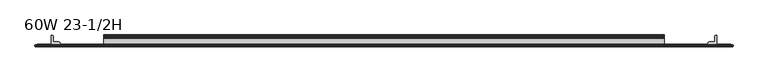
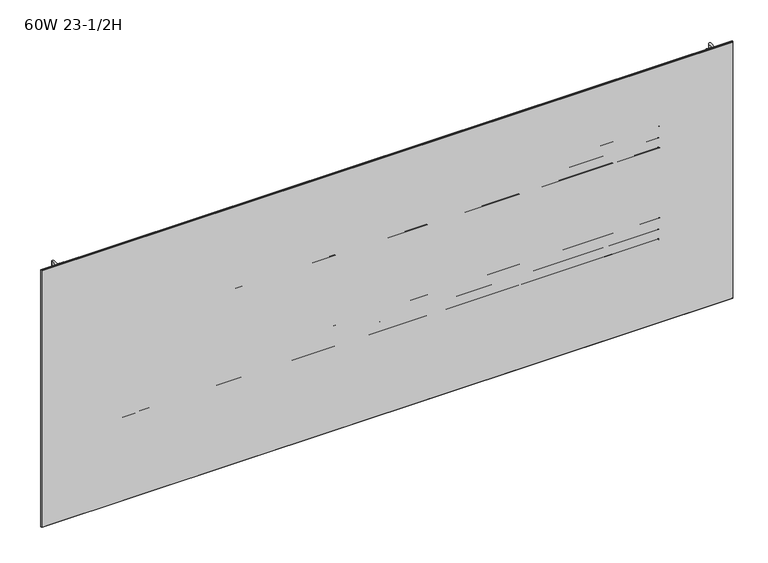
"""IFC4 building model written with IfcOpenShell, lengths in millimetres: furniture geometry, 60W 23-1/2H."""

from ifc_helpers import new_model, si_unit, point, frame, frame_2d, origin, place, context, project, spatial, polyline, circle_curve, trimmed, segment, composite_curve, outline, extrude, faceted_brep, source, transform, mapped, element, save


def furniture_60w_23_1_2h_e905489b(model_context):
    return source(origin(), model_context, "Body", "SolidModel", [
        extrude(outline(composite_curve([segment(polyline([(-5.2324, 902.4059175), (-5.2324, 923.5244434)]), True, "CONTINUOUS"), segment(trimmed(circle_curve(frame_2d((-4.677496, 923.5244434)), 0.554904), [point((-5.2324, 923.5244434))], [point((-4.5338691, 924.0604377))], False, "CARTESIAN"), True, "CONTINUOUS"), segment(polyline([(-4.5338691, 924.0604377), (-3.3274001, 923.7371481), (-2.3976956, 922.807481), (-2.0574001, 921.5374277), (-2.0574001, 908.7676431)]), True, "CONTINUOUS"), segment(trimmed(circle_curve(frame_2d((-1.4921701, 908.7676431)), 0.5652299), [point((-2.0574001, 908.7676431))], [point((-1.4921701, 908.2024132))], True, "CARTESIAN"), True, "CONTINUOUS"), segment(polyline([(-1.4921701, 908.2024132), (0.5143951, 908.2024132)]), True, "CONTINUOUS"), segment(trimmed(circle_curve(frame_2d((0.5143951, 907.5992083)), 0.6032049), [point((0.5143951, 908.2024132))], [point((1.1176, 907.5992083))], False, "CARTESIAN"), True, "CONTINUOUS"), segment(polyline([(1.1176, 907.5992083), (1.1176, 876.4846046)]), True, "CONTINUOUS"), segment(trimmed(circle_curve(frame_2d((0.6637885, 879.1738096)), 2.7272272), [point((1.1176, 876.4846046))], [point((-2.0574001, 878.9924229))], False, "CARTESIAN"), True, "CONTINUOUS"), segment(polyline([(-2.0574001, 878.9924229), (-2.0574001, 901.3081717)]), True, "CONTINUOUS"), segment(trimmed(circle_curve(frame_2d((-2.6016657, 901.3081717)), 0.5442657), [point((-2.0574001, 901.3081717))], [point((-2.6016657, 901.8524374))], True, "CARTESIAN"), True, "CONTINUOUS"), segment(polyline([(-2.6016657, 901.8524374), (-4.6789199, 901.8524374)]), True, "CONTINUOUS"), segment(trimmed(circle_curve(frame_2d((-4.6789199, 902.4059175)), 0.5534801), [point((-4.6789199, 901.8524374))], [point((-5.2324, 902.4059175))], False, "CARTESIAN"), True, "CONTINUOUS")], self_intersect=False)), frame((152.4, 0.0, 0.0), z_axis=(1.0, 0.0, 0.0), x_axis=(0.0, 1.0, 0.0)), (0.0, 0.0, 1.0), 1219.2),
        extrude(outline(composite_curve([segment(polyline([(-7.1373999, 955.8274132), (-4.5974, 955.1468588), (-2.7379909, 953.2874519), (-2.0574001, 950.747418), (-2.0574001, 929.1337352)]), True, "CONTINUOUS"), segment(trimmed(circle_curve(frame_2d((-1.4969277, 929.1337352)), 0.5604724), [point((-2.0574001, 929.1337352))], [point((-1.4969277, 928.5732628))], True, "CARTESIAN"), True, "CONTINUOUS"), segment(polyline([(-1.4969277, 928.5732628), (0.4039455, 928.5732628)]), True, "CONTINUOUS"), segment(trimmed(circle_curve(frame_2d((0.4039455, 927.8596084)), 0.7136544), [point((0.4039455, 928.5732628))], [point((1.1176, 927.8596084))], False, "CARTESIAN"), True, "CONTINUOUS"), segment(polyline([(1.1176, 927.8596084), (1.1176, 909.5034694)]), True, "CONTINUOUS"), segment(trimmed(circle_curve(frame_2d((0.4746932, 909.5034694)), 0.6429068), [point((1.1176, 909.5034694))], [point((-0.1003385, 909.2159495))], False, "CARTESIAN"), True, "CONTINUOUS"), segment(polyline([(-0.1003385, 909.2159495), (-1.8183367, 912.6518984)]), True, "CONTINUOUS"), segment(trimmed(circle_curve(frame_2d((0.2069874, 913.6645745)), 2.2643874), [point((-1.8183367, 912.6518984))], [point((-2.0574001, 913.6645745))], False, "CARTESIAN"), True, "CONTINUOUS"), segment(polyline([(-2.0574001, 913.6645745), (-2.0574001, 923.3402528)]), True, "CONTINUOUS"), segment(trimmed(circle_curve(frame_2d((-2.7946089, 923.3402528)), 0.7372088), [point((-2.0574001, 923.3402528))], [point((-2.7946089, 924.0774616))], True, "CARTESIAN"), True, "CONTINUOUS"), segment(polyline([(-2.7946089, 924.0774616), (-19.4564001, 924.0774616), (-19.4564001, 955.8274132), (-7.1373999, 955.8274132)]), True, "CONTINUOUS")], self_intersect=False), holes=[composite_curve([segment(trimmed(circle_curve(frame_2d((-13.0222745, 950.5363262)), 2.7511257), [point((-13.0222745, 953.2874519))], [point((-15.7734002, 950.5363262))], True, "CARTESIAN"), True, "CONTINUOUS"), segment(polyline([(-15.7734002, 950.5363262), (-15.7734002, 929.2014781)]), True, "CONTINUOUS"), segment(trimmed(circle_curve(frame_2d((-13.189345, 929.2014781)), 2.5840552), [point((-15.7734002, 929.2014781))], [point((-13.189345, 926.6174229))], True, "CARTESIAN"), True, "CONTINUOUS"), segment(polyline([(-13.189345, 926.6174229), (-7.4218653, 926.6174229)]), True, "CONTINUOUS"), segment(trimmed(circle_curve(frame_2d((-7.4218653, 929.4418881)), 2.8244652), [point((-7.4218653, 926.6174229))], [point((-4.5974, 929.4418881))], True, "CARTESIAN"), True, "CONTINUOUS"), segment(polyline([(-4.5974, 929.4418881), (-4.5974, 950.6103081)]), True, "CONTINUOUS"), segment(trimmed(circle_curve(frame_2d((-7.2745438, 950.6103081)), 2.6771438), [point((-4.5974, 950.6103081))], [point((-7.2745438, 953.2874519))], True, "CARTESIAN"), True, "CONTINUOUS"), segment(polyline([(-7.2745438, 953.2874519), (-13.0222745, 953.2874519)]), True, "CONTINUOUS")], self_intersect=False)]), frame((152.4, 0.0, 0.0), z_axis=(1.0, 0.0, 0.0), x_axis=(0.0, 1.0, 0.0)), (0.0, 0.0, 1.0), 1219.2),
        extrude(outline(composite_curve([segment(polyline([(-5.2324, 1115.1182044), (-5.2324, 1136.2367302)]), True, "CONTINUOUS"), segment(trimmed(circle_curve(frame_2d((-4.677496, 1136.2367302)), 0.554904), [point((-5.2324, 1136.2367302))], [point((-4.5338691, 1136.7727245))], False, "CARTESIAN"), True, "CONTINUOUS"), segment(polyline([(-4.5338691, 1136.7727245), (-3.3274001, 1136.4494349), (-2.3976956, 1135.5197678), (-2.0574001, 1134.2497145), (-2.0574001, 1121.4799299)]), True, "CONTINUOUS"), segment(trimmed(circle_curve(frame_2d((-1.4921701, 1121.4799299)), 0.5652299), [point((-2.0574001, 1121.4799299))], [point((-1.4921701, 1120.9147))], True, "CARTESIAN"), True, "CONTINUOUS"), segment(polyline([(-1.4921701, 1120.9147), (0.5143951, 1120.9147)]), True, "CONTINUOUS"), segment(trimmed(circle_curve(frame_2d((0.5143951, 1120.3114951)), 0.6032049), [point((0.5143951, 1120.9147))], [point((1.1176, 1120.3114951))], False, "CARTESIAN"), True, "CONTINUOUS"), segment(polyline([(1.1176, 1120.3114951), (1.1176, 1089.1968914)]), True, "CONTINUOUS"), segment(trimmed(circle_curve(frame_2d((0.6637885, 1091.8860964)), 2.7272272), [point((1.1176, 1089.1968914))], [point((-2.0574001, 1091.7047097))], False, "CARTESIAN"), True, "CONTINUOUS"), segment(polyline([(-2.0574001, 1091.7047097), (-2.0574001, 1114.0204586)]), True, "CONTINUOUS"), segment(trimmed(circle_curve(frame_2d((-2.6016657, 1114.0204586)), 0.5442657), [point((-2.0574001, 1114.0204586))], [point((-2.6016657, 1114.5647242))], True, "CARTESIAN"), True, "CONTINUOUS"), segment(polyline([(-2.6016657, 1114.5647242), (-4.6789199, 1114.5647242)]), True, "CONTINUOUS"), segment(trimmed(circle_curve(frame_2d((-4.6789199, 1115.1182044)), 0.5534801), [point((-4.6789199, 1114.5647242))], [point((-5.2324, 1115.1182044))], False, "CARTESIAN"), True, "CONTINUOUS")], self_intersect=False)), frame((152.4, 0.0, 0.0), z_axis=(1.0, 0.0, 0.0), x_axis=(0.0, 1.0, 0.0)), (0.0, 0.0, 1.0), 1219.2),
        extrude(outline(composite_curve([segment(polyline([(-7.1373999, 1168.5397), (-4.5974, 1167.8591456), (-2.7379909, 1165.9997388), (-2.0574001, 1163.4597048), (-2.0574001, 1141.846022)]), True, "CONTINUOUS"), segment(trimmed(circle_curve(frame_2d((-1.4969277, 1141.846022)), 0.5604724), [point((-2.0574001, 1141.846022))], [point((-1.4969277, 1141.2855496))], True, "CARTESIAN"), True, "CONTINUOUS"), segment(polyline([(-1.4969277, 1141.2855496), (0.4039455, 1141.2855496)]), True, "CONTINUOUS"), segment(trimmed(circle_curve(frame_2d((0.4039455, 1140.5718952)), 0.7136544), [point((0.4039455, 1141.2855496))], [point((1.1176, 1140.5718952))], False, "CARTESIAN"), True, "CONTINUOUS"), segment(polyline([(1.1176, 1140.5718952), (1.1176, 1122.2157562)]), True, "CONTINUOUS"), segment(trimmed(circle_curve(frame_2d((0.4746932, 1122.2157562)), 0.6429068), [point((1.1176, 1122.2157562))], [point((-0.1003385, 1121.9282364))], False, "CARTESIAN"), True, "CONTINUOUS"), segment(polyline([(-0.1003385, 1121.9282364), (-1.8183367, 1125.3641852)]), True, "CONTINUOUS"), segment(trimmed(circle_curve(frame_2d((0.2069874, 1126.3768613)), 2.2643874), [point((-1.8183367, 1125.3641852))], [point((-2.0574001, 1126.3768613))], False, "CARTESIAN"), True, "CONTINUOUS"), segment(polyline([(-2.0574001, 1126.3768613), (-2.0574001, 1136.0525396)]), True, "CONTINUOUS"), segment(trimmed(circle_curve(frame_2d((-2.7946089, 1136.0525396)), 0.7372088), [point((-2.0574001, 1136.0525396))], [point((-2.7946089, 1136.7897484))], True, "CARTESIAN"), True, "CONTINUOUS"), segment(polyline([(-2.7946089, 1136.7897484), (-19.4564001, 1136.7897484), (-19.4564001, 1168.5397), (-7.1373999, 1168.5397)]), True, "CONTINUOUS")], self_intersect=False), holes=[composite_curve([segment(trimmed(circle_curve(frame_2d((-13.0222745, 1163.248613)), 2.7511257), [point((-13.0222745, 1165.9997388))], [point((-15.7734002, 1163.248613))], True, "CARTESIAN"), True, "CONTINUOUS"), segment(polyline([(-15.7734002, 1163.248613), (-15.7734002, 1141.9137649)]), True, "CONTINUOUS"), segment(trimmed(circle_curve(frame_2d((-13.189345, 1141.9137649)), 2.5840552), [point((-15.7734002, 1141.9137649))], [point((-13.189345, 1139.3297097))], True, "CARTESIAN"), True, "CONTINUOUS"), segment(polyline([(-13.189345, 1139.3297097), (-7.4218653, 1139.3297097)]), True, "CONTINUOUS"), segment(trimmed(circle_curve(frame_2d((-7.4218653, 1142.1541749)), 2.8244652), [point((-7.4218653, 1139.3297097))], [point((-4.5974, 1142.1541749))], True, "CARTESIAN"), True, "CONTINUOUS"), segment(polyline([(-4.5974, 1142.1541749), (-4.5974, 1163.322595)]), True, "CONTINUOUS"), segment(trimmed(circle_curve(frame_2d((-7.2745438, 1163.322595)), 2.6771438), [point((-4.5974, 1163.322595))], [point((-7.2745438, 1165.9997388))], True, "CARTESIAN"), True, "CONTINUOUS"), segment(polyline([(-7.2745438, 1165.9997388), (-13.0222745, 1165.9997388)]), True, "CONTINUOUS")], self_intersect=False)]), frame((152.4, 0.0, 0.0), z_axis=(1.0, 0.0, 0.0), x_axis=(0.0, 1.0, 0.0)), (0.0, 0.0, 1.0), 1219.2),
        extrude(outline(composite_curve([segment(trimmed(circle_curve(frame_2d((1485.3524764, -18.9088765)), 0.5475236), [point((1485.9, -18.9088765))], [point((1485.3524764, -19.4564001))], False, "CARTESIAN"), True, "CONTINUOUS"), segment(polyline([(1485.3524764, -19.4564001), (1467.4113866, -19.4564001)]), True, "CONTINUOUS"), segment(trimmed(circle_curve(frame_2d((1467.4113866, -18.8950135)), 0.5613866), [point((1467.4113866, -19.4564001))], [point((1466.85, -18.8950135))], False, "CARTESIAN"), True, "CONTINUOUS"), segment(polyline([(1466.85, -18.8950135), (1466.85, -16.8669745)]), True, "CONTINUOUS"), segment(trimmed(circle_curve(frame_2d((1469.4294745, -16.8669745)), 2.5794745), [point((1466.85, -16.8669745))], [point((1469.4294745, -14.2875))], False, "CARTESIAN"), True, "CONTINUOUS"), segment(polyline([(1469.4294745, -14.2875), (1480.4787912, -14.2875)]), True, "CONTINUOUS"), segment(trimmed(circle_curve(frame_2d((1480.4787912, -13.6414903)), 0.6460097), [point((1480.4787912, -14.2875))], [point((1481.1248009, -13.6414903))], True, "CARTESIAN"), True, "CONTINUOUS"), segment(polyline([(1481.1248009, -13.6414903), (1481.1248009, -2.768893)]), True, "CONTINUOUS"), segment(trimmed(circle_curve(frame_2d((1483.8936939, -2.768893)), 2.768893), [point((1481.1248009, -2.768893))], [point((1483.8936939, 0.0))], False, "CARTESIAN"), True, "CONTINUOUS"), segment(polyline([(1483.8936939, 0.0), (1485.3082199, 0.0)]), True, "CONTINUOUS"), segment(trimmed(circle_curve(frame_2d((1485.3082199, -0.5917801)), 0.5917801), [point((1485.3082199, 0.0))], [point((1485.9, -0.5917801))], False, "CARTESIAN"), True, "CONTINUOUS"), segment(polyline([(1485.9, -0.5917801), (1485.9, -18.9088765)]), True, "CONTINUOUS")], self_intersect=False)), frame((0.0, 0.0, 728.98), z_axis=(0.0, 0.0, 1.0), x_axis=(1.0, 0.0, 0.0)), (0.0, 0.0, 1.0), 587.3623),
        extrude(outline(composite_curve([segment(polyline([(38.1, -18.9088765), (38.1, -0.5917801)]), True, "CONTINUOUS"), segment(trimmed(circle_curve(frame_2d((38.6917801, -0.5917801)), 0.5917801), [point((38.1, -0.5917801))], [point((38.6917801, 0.0))], False, "CARTESIAN"), True, "CONTINUOUS"), segment(polyline([(38.6917801, 0.0), (40.1063061, 0.0)]), True, "CONTINUOUS"), segment(trimmed(circle_curve(frame_2d((40.1063061, -2.768893)), 2.768893), [point((40.1063061, 0.0))], [point((42.8751991, -2.768893))], False, "CARTESIAN"), True, "CONTINUOUS"), segment(polyline([(42.8751991, -2.768893), (42.8751991, -13.6414903)]), True, "CONTINUOUS"), segment(trimmed(circle_curve(frame_2d((43.5212088, -13.6414903)), 0.6460097), [point((42.8751991, -13.6414903))], [point((43.5212088, -14.2875))], True, "CARTESIAN"), True, "CONTINUOUS"), segment(polyline([(43.5212088, -14.2875), (54.5705255, -14.2875)]), True, "CONTINUOUS"), segment(trimmed(circle_curve(frame_2d((54.5705255, -16.8669745)), 2.5794745), [point((54.5705255, -14.2875))], [point((57.15, -16.8669745))], False, "CARTESIAN"), True, "CONTINUOUS"), segment(polyline([(57.15, -16.8669745), (57.15, -18.8950135)]), True, "CONTINUOUS"), segment(trimmed(circle_curve(frame_2d((56.5886134, -18.8950135)), 0.5613866), [point((57.15, -18.8950135))], [point((56.5886134, -19.4564001))], False, "CARTESIAN"), True, "CONTINUOUS"), segment(polyline([(56.5886134, -19.4564001), (38.6475236, -19.4564001)]), True, "CONTINUOUS"), segment(trimmed(circle_curve(frame_2d((38.6475236, -18.9088765)), 0.5475236), [point((38.6475236, -19.4564001))], [point((38.1, -18.9088765))], False, "CARTESIAN"), True, "CONTINUOUS")], self_intersect=False)), frame((0.0, 0.0, 728.98), z_axis=(0.0, 0.0, 1.0), x_axis=(1.0, 0.0, 0.0)), (0.0, 0.0, 1.0), 587.3623),
        extrude(outline(polyline([(1516.6975002, -20.0634601), (7.3024998, -20.0634601), (7.3024998, -19.4564001), (1516.6975002, -19.4564001), (1516.6975002, -20.0634601)])), frame((0.0, 0.0, 728.98), z_axis=(0.0, 0.0, 1.0), x_axis=(1.0, 0.0, 0.0)), (0.0, 0.0, 1.0), 587.3623),
        faceted_brep([(1521.4600024, -24.0512595, 1321.1048), (1521.4600024, -20.8508598, 1321.1048), (2.5400001, -20.8508598, 1321.1048), (2.5400001, -24.0512595, 1321.1048), (2.5400001, -24.0512595, 724.2048), (2.5400001, -20.8508598, 724.2048), (1521.4600024, -20.8508598, 724.2048), (1521.4600024, -24.0512595, 724.2048), (3.3274521, -24.8386592, 1320.3173481), (3.3274521, -24.8386592, 724.9922519), (1520.6725505, -24.8386592, 724.9922519), (1520.6725505, -24.8386592, 1320.3173481), (3.3274521, -20.0634601, 724.9922519), (3.3274521, -20.0634601, 1320.3173481), (1520.6725505, -20.0634601, 1320.3173481), (1520.6725505, -20.0634601, 724.9922519)], [[[0, 1, 2, 3]], [[4, 5, 6, 7]], [[8, 9, 10, 11]], [[1, 0, 7, 6]], [[12, 13, 14, 15]], [[3, 2, 5, 4]], [[12, 5, 2, 13]], [[4, 9, 8, 3]], [[5, 12, 15, 6]], [[9, 4, 7, 10]], [[6, 15, 14, 1]], [[10, 7, 0, 11]], [[13, 2, 1, 14]], [[3, 8, 11, 0]]]),
    ])


if __name__ == "__main__":
    model = new_model("IFC4")
    model_context = context("Model", 3, world=origin())
    ifc_project = project(units=[si_unit("LENGTHUNIT", "METRE", prefix="MILLI")], contexts=[model_context])
    site = spatial("IfcSite", under=ifc_project)
    building = spatial("IfcBuilding", under=site)
    placement = place(None, origin())
    furniture_60w_23_1_2h_shape = furniture_60w_23_1_2h_e905489b(model_context)
    element("IfcFurniture", 1, ObjectType="60W 23-1/2H", at=placement, inside=building, context=model_context, shape_type="MappedRepresentation", body=[
        mapped(furniture_60w_23_1_2h_shape, transform((0.0, 0.0, 0.0), x_axis=(1.0, 0.0, 0.0), y_axis=(0.0, 1.0, 0.0), z_axis=(0.0, 0.0, 1.0))),
    ])
    save(model, "model.ifc")
